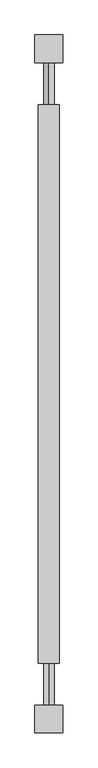
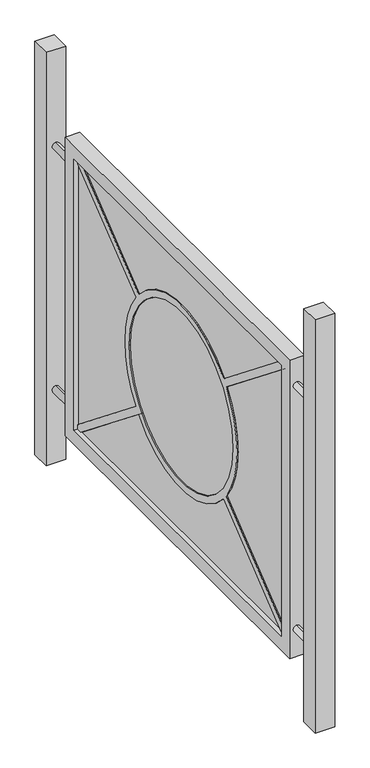
"""IFC4 building model written with IfcOpenShell, lengths in millimetres: railing geometry."""

from ifc_helpers import new_model, si_unit, point, frame, frame_2d, origin, origin_with_axes, place, context, project, spatial, polyline, circle_curve, trimmed, segment, composite_curve, outline, extrude, source, transform, mapped, element, save


def railing_e645af4b(model_context):
    return source(origin(), model_context, "Body", "SweptSolid", [
        extrude(outline(composite_curve([segment(polyline([(-25631.4829865, 720.0), (-24915.5443666, 720.0), (-25121.919493, 555.4576695)]), True, "CONTINUOUS"), segment(trimmed(circle_curve(frame_2d((-25273.5136765, 425.0)), 200.0), [point((-25121.919493, 555.4576695))], [point((-25425.10786, 555.4576695))], True, "CARTESIAN"), True, "CONTINUOUS"), segment(polyline([(-25425.10786, 555.4576695), (-25631.4829865, 720.0)]), True, "CONTINUOUS")], self_intersect=False)), frame((-6595.5024955, 0.0, 0.0), z_axis=(1.0, 0.0, 0.0), x_axis=(0.0, 1.0, 0.0)), (0.0, 0.0, 1.0), 5.0),
        extrude(outline(composite_curve([segment(polyline([(-25112.5684085, 543.7291906), (-24903.5136765, 710.4079633), (-24903.5136765, 139.5920367), (-25112.5684085, 306.2708094)]), True, "CONTINUOUS"), segment(trimmed(circle_curve(frame_2d((-25273.5136765, 425.0)), 200.0), [point((-25112.5684085, 306.2708094))], [point((-25073.5136765, 425.0))], True, "CARTESIAN"), True, "CONTINUOUS"), segment(trimmed(circle_curve(frame_2d((-25273.5136765, 425.0)), 200.0), [point((-25073.5136765, 425.0))], [point((-25112.5684085, 543.7291906))], True, "CARTESIAN"), True, "CONTINUOUS")], self_intersect=False)), frame((-6595.5024955, 0.0, 0.0), z_axis=(1.0, 0.0, 0.0), x_axis=(0.0, 1.0, 0.0)), (0.0, 0.0, 1.0), 5.0),
        extrude(outline(composite_curve([segment(polyline([(-25121.919493, 294.5423305), (-24915.5443666, 130.0), (-25631.4829865, 130.0), (-25425.10786, 294.5423305)]), True, "CONTINUOUS"), segment(trimmed(circle_curve(frame_2d((-25273.5136765, 425.0)), 200.0), [point((-25425.10786, 294.5423305))], [point((-25121.919493, 294.5423305))], True, "CARTESIAN"), True, "CONTINUOUS")], self_intersect=False)), frame((-6595.5024955, 0.0, 0.0), z_axis=(1.0, 0.0, 0.0), x_axis=(0.0, 1.0, 0.0)), (0.0, 0.0, 1.0), 5.0),
        extrude(outline(composite_curve([segment(polyline([(-25643.5136765, 139.5920367), (-25643.5136765, 710.4079633), (-25434.4589446, 543.7291906)]), True, "CONTINUOUS"), segment(trimmed(circle_curve(frame_2d((-25273.5136765, 425.0)), 200.0), [point((-25434.4589446, 543.7291906))], [point((-25473.5136765, 425.0))], True, "CARTESIAN"), True, "CONTINUOUS"), segment(trimmed(circle_curve(frame_2d((-25273.5136765, 425.0)), 200.0), [point((-25473.5136765, 425.0))], [point((-25434.4589446, 306.2708094))], True, "CARTESIAN"), True, "CONTINUOUS"), segment(polyline([(-25434.4589446, 306.2708094), (-25643.5136765, 139.5920367)]), True, "CONTINUOUS")], self_intersect=False)), frame((-6595.5024955, 0.0, 0.0), z_axis=(1.0, 0.0, 0.0), x_axis=(0.0, 1.0, 0.0)), (0.0, 0.0, 1.0), 5.0),
        extrude(outline(composite_curve([segment(trimmed(circle_curve(frame_2d((-25273.5136765, 425.0)), 185.0), [point((-25088.5136765, 425.0))], [point((-25458.5136765, 425.0))], False, "CARTESIAN"), True, "CONTINUOUS"), segment(trimmed(circle_curve(frame_2d((-25273.5136765, 425.0)), 185.0), [point((-25458.5136765, 425.0))], [point((-25088.5136765, 425.0))], False, "CARTESIAN"), True, "CONTINUOUS")], self_intersect=False)), frame((-6595.5024955, 0.0, 0.0), z_axis=(1.0, 0.0, 0.0), x_axis=(0.0, 1.0, 0.0)), (0.0, 0.0, 1.0), 5.0),
        extrude(outline(composite_curve([segment(trimmed(circle_curve(frame_2d((160.0, -6590.5024955)), 7.5), [point((152.5, -6590.5024955))], [point((167.5, -6590.5024955))], False, "CARTESIAN"), True, "CONTINUOUS"), segment(trimmed(circle_curve(frame_2d((160.0, -6590.5024955)), 7.5), [point((167.5, -6590.5024955))], [point((152.5, -6590.5024955))], False, "CARTESIAN"), True, "CONTINUOUS")], self_intersect=False)), frame((0.0, -24873.5136765, 0.0), z_axis=(0.0, 1.0, 0.0), x_axis=(0.0, 0.0, 1.0)), (0.0, 0.0, 1.0), 60.0),
        extrude(outline(composite_curve([segment(trimmed(circle_curve(frame_2d((160.0, -6590.5024955)), 7.5), [point((152.5, -6590.5024955))], [point((167.5, -6590.5024955))], False, "CARTESIAN"), True, "CONTINUOUS"), segment(trimmed(circle_curve(frame_2d((160.0, -6590.5024955)), 7.5), [point((167.5, -6590.5024955))], [point((152.5, -6590.5024955))], False, "CARTESIAN"), True, "CONTINUOUS")], self_intersect=False)), frame((0.0, -25733.5136765, 0.0), z_axis=(0.0, 1.0, 0.0), x_axis=(0.0, 0.0, 1.0)), (0.0, 0.0, 1.0), 60.0),
        extrude(outline(composite_curve([segment(trimmed(circle_curve(frame_2d((690.0, -6590.5024955)), 7.5), [point((697.5, -6590.5024955))], [point((682.5, -6590.5024955))], False, "CARTESIAN"), True, "CONTINUOUS"), segment(trimmed(circle_curve(frame_2d((690.0, -6590.5024955)), 7.5), [point((682.5, -6590.5024955))], [point((697.5, -6590.5024955))], False, "CARTESIAN"), True, "CONTINUOUS")], self_intersect=False)), frame((0.0, -24873.5136765, 0.0), z_axis=(0.0, 1.0, 0.0), x_axis=(0.0, 0.0, 1.0)), (0.0, 0.0, 1.0), 60.0),
        extrude(outline(composite_curve([segment(trimmed(circle_curve(frame_2d((690.0, -6590.5024955)), 7.5), [point((697.5, -6590.5024955))], [point((682.5, -6590.5024955))], False, "CARTESIAN"), True, "CONTINUOUS"), segment(trimmed(circle_curve(frame_2d((690.0, -6590.5024955)), 7.5), [point((682.5, -6590.5024955))], [point((697.5, -6590.5024955))], False, "CARTESIAN"), True, "CONTINUOUS")], self_intersect=False)), frame((0.0, -25733.5136765, 0.0), z_axis=(0.0, 1.0, 0.0), x_axis=(0.0, 0.0, 1.0)), (0.0, 0.0, 1.0), 60.0),
        extrude(outline(composite_curve([segment(trimmed(circle_curve(frame_2d((-25273.5136765, 425.0)), 200.0), [point((-25425.10786, 555.4576695))], [point((-25121.919493, 555.4576695))], False, "CARTESIAN"), True, "CONTINUOUS"), segment(polyline([(-25121.919493, 555.4576695), (-24915.5443666, 720.0), (-24903.5136765, 720.0), (-24903.5136765, 710.4079633), (-25112.5684085, 543.7291906)]), True, "CONTINUOUS"), segment(trimmed(circle_curve(frame_2d((-25273.5136765, 425.0)), 200.0), [point((-25112.5684085, 543.7291906))], [point((-25073.5136765, 425.0))], False, "CARTESIAN"), True, "CONTINUOUS"), segment(trimmed(circle_curve(frame_2d((-25273.5136765, 425.0)), 200.0), [point((-25073.5136765, 425.0))], [point((-25112.5684085, 306.2708094))], False, "CARTESIAN"), True, "CONTINUOUS"), segment(polyline([(-25112.5684085, 306.2708094), (-24903.5136765, 139.5920367), (-24903.5136765, 130.0), (-24915.5443666, 130.0), (-25121.919493, 294.5423305)]), True, "CONTINUOUS"), segment(trimmed(circle_curve(frame_2d((-25273.5136765, 425.0)), 200.0), [point((-25121.919493, 294.5423305))], [point((-25425.10786, 294.5423305))], False, "CARTESIAN"), True, "CONTINUOUS"), segment(polyline([(-25425.10786, 294.5423305), (-25631.4829865, 130.0), (-25643.5136765, 130.0), (-25643.5136765, 139.5920367), (-25434.4589446, 306.2708094)]), True, "CONTINUOUS"), segment(trimmed(circle_curve(frame_2d((-25273.5136765, 425.0)), 200.0), [point((-25434.4589446, 306.2708094))], [point((-25473.5136765, 425.0))], False, "CARTESIAN"), True, "CONTINUOUS"), segment(trimmed(circle_curve(frame_2d((-25273.5136765, 425.0)), 200.0), [point((-25473.5136765, 425.0))], [point((-25434.4589446, 543.7291906))], False, "CARTESIAN"), True, "CONTINUOUS"), segment(polyline([(-25434.4589446, 543.7291906), (-25643.5136765, 710.4079633), (-25643.5136765, 720.0), (-25631.4829865, 720.0), (-25425.10786, 555.4576695)]), True, "CONTINUOUS")], self_intersect=False), holes=[composite_curve([segment(trimmed(circle_curve(frame_2d((-25273.5136765, 425.0)), 185.0), [point((-25458.5136765, 425.0))], [point((-25088.5136765, 425.0))], True, "CARTESIAN"), True, "CONTINUOUS"), segment(trimmed(circle_curve(frame_2d((-25273.5136765, 425.0)), 185.0), [point((-25088.5136765, 425.0))], [point((-25458.5136765, 425.0))], True, "CARTESIAN"), True, "CONTINUOUS")], self_intersect=False)]), frame((-6598.0024955, 0.0, 0.0), z_axis=(1.0, 0.0, 0.0), x_axis=(0.0, 1.0, 0.0)), (0.0, 0.0, 1.0), 15.0),
        extrude(outline(polyline([(-24873.5136765, 750.0), (-24873.5136765, 100.0), (-25673.5136765, 100.0), (-25673.5136765, 750.0), (-24873.5136765, 750.0)]), holes=[polyline([(-24903.5136765, 720.0), (-25643.5136765, 720.0), (-25643.5136765, 130.0), (-24903.5136765, 130.0), (-24903.5136765, 720.0)])]), frame((-6605.5024955, 0.0, 0.0), z_axis=(1.0, 0.0, 0.0), x_axis=(0.0, 1.0, 0.0)), (0.0, 0.0, 1.0), 30.0),
        extrude(outline(polyline([(-6570.5024955, -24773.5136765), (-6570.5024955, -24813.5136765), (-6610.5024955, -24813.5136765), (-6610.5024955, -24773.5136765), (-6570.5024955, -24773.5136765)])), origin_with_axes(), (0.0, 0.0, 1.0), 900.0),
        extrude(outline(polyline([(-6570.5024955, -25733.5136765), (-6570.5024955, -25773.5136765), (-6610.5024955, -25773.5136765), (-6610.5024955, -25733.5136765), (-6570.5024955, -25733.5136765)])), origin_with_axes(), (0.0, 0.0, 1.0), 900.0),
    ])


if __name__ == "__main__":
    model = new_model("IFC4")
    model_context = context("Model", 3, world=origin())
    ifc_project = project(units=[si_unit("LENGTHUNIT", "METRE", prefix="MILLI")], contexts=[model_context])
    site = spatial("IfcSite", under=ifc_project)
    building = spatial("IfcBuilding", under=site)
    placement = place(None, origin())
    railing_shape = railing_e645af4b(model_context)
    element("IfcRailing", 1, at=placement, inside=building, context=model_context, shape_type="MappedRepresentation", body=[
        mapped(railing_shape, transform((0.0, 0.0, 0.0), x_axis=(1.0, 0.0, 0.0), y_axis=(0.0, 1.0, 0.0), z_axis=(0.0, 0.0, 1.0))),
    ])
    save(model, "model.ifc")
